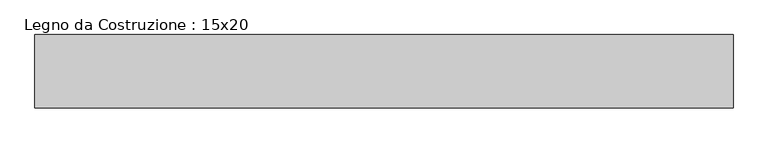
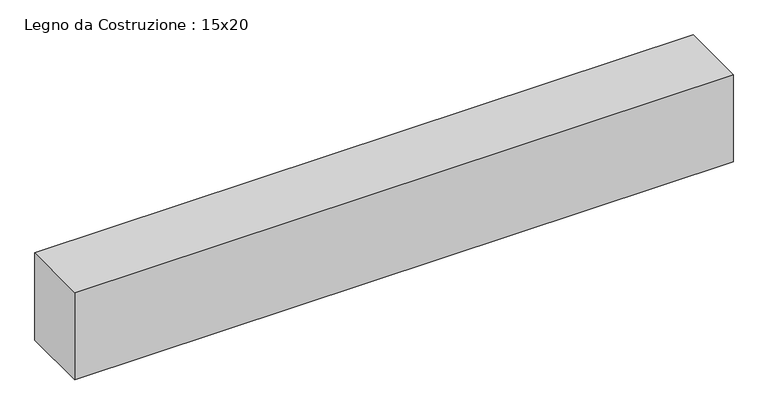
"""IFC4 building model written with IfcOpenShell, lengths in millimetres: beam geometry, Legno da Costruzione : 15x20."""

import ifcopenshell
import ifcopenshell.guid

model = None  # the IFC model being written
_history = None  # IfcOwnerHistory: only IFC2X3 demands one
_inside = {}  # id of a spatial element -> (the spatial element, [elements in it])
_under = {}  # id of a project, library or spatial element -> (it, [spatial elements below it])
_declared = {}  # id of a project -> (the project, [libraries it declares])
_typed = {}  # id of a type object -> (the type object, [elements of that type])
_made_of = {}  # id of a material, layer set ... -> (it, [elements and type objects made of it])


def new_model(schema):
    """Start an empty IFC model of exactly this schema.

    Asked for "IFC4X3", IfcOpenShell would pick the latest addendum, in which some entities
    have other attributes; the version numbers below select the first issue.
    IFC2X3 requires an IfcOwnerHistory on every rooted entity: one is made here for all.
    """
    global model, _history
    if schema == "IFC4X3":
        model = ifcopenshell.file(schema_version=(4, 3, 0, 0))
    else:
        model = ifcopenshell.file(schema=schema)
    _inside.clear()
    _under.clear()
    _declared.clear()
    _typed.clear()
    _made_of.clear()
    _history = None
    if model.schema == "IFC2X3":
        org = make("IfcOrganization", Name="unknown")
        user = make(
            "IfcPersonAndOrganization",
            ThePerson=make("IfcPerson", FamilyName="unknown"),
            TheOrganization=org,
        )
        app = make(
            "IfcApplication",
            ApplicationDeveloper=org,
            Version="unknown",
            ApplicationFullName="unknown",
            ApplicationIdentifier="unknown",
        )
        _history = make(
            "IfcOwnerHistory",
            OwningUser=user,
            OwningApplication=app,
            ChangeAction="ADDED",
            CreationDate=0,
        )
    return model


def make(cls, **values):
    """One entity of the class cls with the attributes given. An attribute that is None is left unset."""
    return model.create_entity(
        cls, **{name: value for name, value in values.items() if value is not None}
    )


def rooted(cls, **values):
    """An entity with a GlobalId (a new one), such as an element, a storey or a relation."""
    return make(cls, GlobalId=ifcopenshell.guid.new(), OwnerHistory=_history, **values)


def si_unit(unit_type, name, prefix=None):
    """IfcSIUnit, for example si_unit("LENGTHUNIT", "METRE", prefix="MILLI")."""
    return make("IfcSIUnit", UnitType=unit_type, Prefix=prefix, Name=name)


def assignment(units):
    """IfcUnitAssignment: the units of a project."""
    return None if units is None else make("IfcUnitAssignment", Units=units)


def point(xyz):
    """IfcCartesianPoint."""
    return None if xyz is None else make("IfcCartesianPoint", Coordinates=xyz)


def direction(xyz):
    """IfcDirection."""
    return None if xyz is None else make("IfcDirection", DirectionRatios=xyz)


def frame(location, z_axis=None, x_axis=None):
    """IfcAxis2Placement3D, a coordinate frame: its origin and axes. An axis left out is left unset."""
    return make(
        "IfcAxis2Placement3D",
        Location=point(location),
        Axis=direction(z_axis),
        RefDirection=direction(x_axis),
    )


def origin():
    """The frame at (0, 0, 0) with its axes left unset."""
    return frame((0.0, 0.0, 0.0))


def place(relative_to, where):
    """IfcLocalPlacement: puts the frame where relative to a parent placement (None: the world)."""
    return make(
        "IfcLocalPlacement", PlacementRelTo=relative_to, RelativePlacement=where
    )


def context(
    kind, dimensions, precision=None, world=None, true_north=None, identifier=None
):
    """IfcGeometricRepresentationContext, for example the 3D "Model" context."""
    return make(
        "IfcGeometricRepresentationContext",
        ContextIdentifier=identifier,
        ContextType=kind,
        CoordinateSpaceDimension=dimensions,
        Precision=precision,
        WorldCoordinateSystem=world,
        TrueNorth=true_north,
    )


def project(units=None, contexts=None):
    """IfcProject with its units and contexts."""
    return rooted(
        "IfcProject",
        Name="project",
        RepresentationContexts=contexts,
        UnitsInContext=assignment(units),
    )


def spatial(cls, under=None, at=None, **own):
    """A site, building, storey or space (cls), placed at a placement, below another one or the project."""
    s = rooted(cls, ObjectPlacement=at, **own)
    if under is not None:
        _under.setdefault(under.id(), (under, []))[1].append(s)
    return s


def polyline(points):
    """IfcPolyline through the points."""
    return make("IfcPolyline", Points=[point(p) for p in points])


def outline(outer, holes=None, kind="AREA"):
    """IfcArbitraryClosedProfileDef: a profile drawn as a closed curve; with holes, ...WithVoids."""
    if holes is None:
        return make("IfcArbitraryClosedProfileDef", ProfileType=kind, OuterCurve=outer)
    return make(
        "IfcArbitraryProfileDefWithVoids",
        ProfileType=kind,
        OuterCurve=outer,
        InnerCurves=holes,
    )


def extrude(swept, where, along, depth):
    """IfcExtrudedAreaSolid: the profile swept, set in the frame where, extruded along a direction by depth."""
    return make(
        "IfcExtrudedAreaSolid",
        SweptArea=swept,
        Position=where,
        ExtrudedDirection=direction(along),
        Depth=depth,
    )


def shape(context_of_items, identifier, shape_type, items):
    """IfcShapeRepresentation: the items that make up one representation, for example the "Body"."""
    return make(
        "IfcShapeRepresentation",
        ContextOfItems=context_of_items,
        RepresentationIdentifier=identifier,
        RepresentationType=shape_type,
        Items=items,
    )


def source(mapping_origin, context_of_items, identifier, shape_type, items):
    """IfcRepresentationMap: a shape defined once, which mapped items show again and again."""
    return make(
        "IfcRepresentationMap",
        MappingOrigin=mapping_origin,
        MappedRepresentation=shape(context_of_items, identifier, shape_type, items),
    )


def transform(
    local_origin,
    x_axis=None,
    y_axis=None,
    z_axis=None,
    scale=None,
    scale2=None,
    scale3=None,
    uniform=True,
):
    """IfcCartesianTransformationOperator3D, or its non-uniform kind. x_axis, y_axis, z_axis: its Axis1, 2, 3."""
    if uniform:
        return make(
            "IfcCartesianTransformationOperator3D",
            Axis1=direction(x_axis),
            Axis2=direction(y_axis),
            LocalOrigin=point(local_origin),
            Scale=scale,
            Axis3=direction(z_axis),
        )
    return make(
        "IfcCartesianTransformationOperator3DnonUniform",
        Axis1=direction(x_axis),
        Axis2=direction(y_axis),
        LocalOrigin=point(local_origin),
        Scale=scale,
        Axis3=direction(z_axis),
        Scale2=scale2,
        Scale3=scale3,
    )


def mapped(mapping_source, mapping_target):
    """IfcMappedItem: shows the shape of a source again, moved by a transform."""
    return make(
        "IfcMappedItem", MappingSource=mapping_source, MappingTarget=mapping_target
    )


def made_of(thing, what):
    """Note that an element or type object is made of a material, layer set ...; save() writes the relation."""
    if what is not None:
        _made_of.setdefault(what.id(), (what, []))[1].append(thing)
    return thing


def element(
    cls,
    number,
    at=None,
    inside=None,
    cuts=None,
    type_object=None,
    material=None,
    context=None,
    identifier="Body",
    shape_type=None,
    held_by="IfcProductDefinitionShape",
    body=None,
    shapes=None,
    **own,
):
    """One element of the class cls, such as IfcWall. Its Tag is "e" and its number.

    at: its placement. inside: the storey or other place that contains it. cuts: it is an
    opening in that element (IfcRelVoidsElement). A single representation is given by context,
    identifier, shape_type and body (its items); several are given by shapes. held_by: the class
    of the entity that holds the representations. save() writes the other relations.
    """
    e = rooted(cls, Tag="e%d" % number, ObjectPlacement=at, **own)
    if body is not None:
        shapes = [shape(context, identifier, shape_type, body)]
    if shapes is not None:
        e.Representation = make(held_by, Representations=shapes)
    if inside is not None:
        _inside.setdefault(inside.id(), (inside, []))[1].append(e)
    if cuts is not None:
        rooted(
            "IfcRelVoidsElement", RelatingBuildingElement=cuts, RelatedOpeningElement=e
        )
    if type_object is not None:
        _typed.setdefault(type_object.id(), (type_object, []))[1].append(e)
    return made_of(e, material)


def aggregate(whole, parts):
    """IfcRelAggregates: a whole, such as a stair, and the parts it consists of."""
    return rooted("IfcRelAggregates", RelatingObject=whole, RelatedObjects=parts)


def save(model, path):
    """Write the relations noted so far, then the file.

    IfcRelAggregates (storeys below a building ...), IfcRelContainedInSpatialStructure (elements
    in a storey), IfcRelDefinesByType, IfcRelAssociatesMaterial and IfcRelDeclares: one each for
    every whole, place, type object, material and project.
    """
    for whole, parts in _under.values():
        aggregate(whole, parts)
    for where, things in _inside.values():
        rooted(
            "IfcRelContainedInSpatialStructure",
            RelatedElements=things,
            RelatingStructure=where,
        )
    for kind, things in _typed.values():
        rooted("IfcRelDefinesByType", RelatedObjects=things, RelatingType=kind)
    for what, things in _made_of.values():
        rooted("IfcRelAssociatesMaterial", RelatedObjects=things, RelatingMaterial=what)
    for by, libraries in _declared.values():
        rooted("IfcRelDeclares", RelatingContext=by, RelatedDefinitions=libraries)
    model.write(path)


def legno_da_costruzione_15x20_ea0dcb7a(model_context):
    return source(origin(), model_context, "Body", "SweptSolid", [
        extrude(outline(polyline([(808.5, 75.0), (808.5, -75.0), (-619.5, -75.0), (-619.5, 75.0), (808.5, 75.0)])), frame((0.0, 0.0, -100.0), z_axis=(0.0, 0.0, 1.0), x_axis=(1.0, 0.0, 0.0)), (0.0, 0.0, 1.0), 200.0),
    ])


if __name__ == "__main__":
    model = new_model("IFC4")
    model_context = context("Model", 3, world=origin())
    ifc_project = project(units=[si_unit("LENGTHUNIT", "METRE", prefix="MILLI")], contexts=[model_context])
    site = spatial("IfcSite", under=ifc_project)
    building = spatial("IfcBuilding", under=site)
    placement = place(None, origin())
    legno_da_costruzione_15x20_shape = legno_da_costruzione_15x20_ea0dcb7a(model_context)
    element("IfcBeam", 1, ObjectType="Legno da Costruzione : 15x20", at=placement, inside=building, context=model_context, shape_type="MappedRepresentation", body=[
        mapped(legno_da_costruzione_15x20_shape, transform((0.0, 0.0, 0.0), x_axis=(1.0, 0.0, 0.0), y_axis=(0.0, 1.0, 0.0), z_axis=(0.0, 0.0, 1.0))),
    ])
    save(model, "model.ifc")
